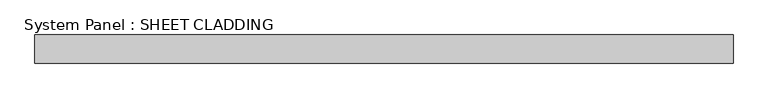
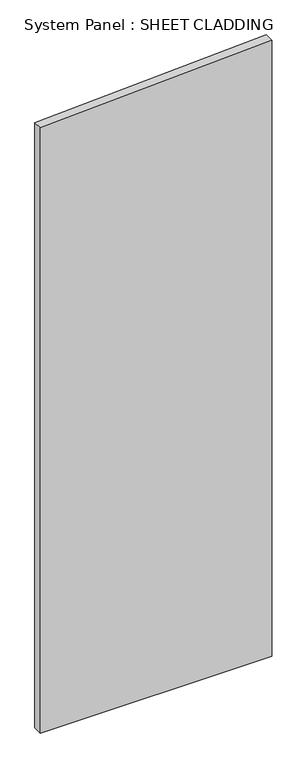
"""IFC4 building model written with IfcOpenShell, lengths in millimetres: plate geometry, System Panel : SHEET CLADDING."""

from ifc_helpers import new_model, si_unit, frame, origin, place, context, project, spatial, polyline, outline, extrude, source, transform, mapped, element, save


def system_panel_sheet_cladding_3e224c08(model_context):
    return source(origin(), model_context, "Body", "SweptSolid", [
        extrude(outline(polyline([(0.0, -735.4591837), (0.0, 735.4591837), (4138.2887755, 735.4591837), (4064.7428571, -735.4591837), (0.0, -735.4591837)])), frame((0.0, -10.5, 0.0), z_axis=(0.0, 1.0, 0.0), x_axis=(0.0, 0.0, 1.0)), (0.0, 0.0, 1.0), 60.0),
    ])


if __name__ == "__main__":
    model = new_model("IFC4")
    model_context = context("Model", 3, world=origin())
    ifc_project = project(units=[si_unit("LENGTHUNIT", "METRE", prefix="MILLI")], contexts=[model_context])
    site = spatial("IfcSite", under=ifc_project)
    building = spatial("IfcBuilding", under=site)
    placement = place(None, origin())
    system_panel_sheet_cladding_shape = system_panel_sheet_cladding_3e224c08(model_context)
    element("IfcPlate", 1, ObjectType="System Panel : SHEET CLADDING", at=placement, inside=building, context=model_context, shape_type="MappedRepresentation", body=[
        mapped(system_panel_sheet_cladding_shape, transform((0.0, 0.0, 0.0), x_axis=(1.0, 0.0, 0.0), y_axis=(0.0, 1.0, 0.0), z_axis=(0.0, 0.0, 1.0))),
    ])
    save(model, "model.ifc")
